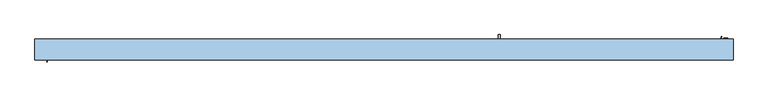
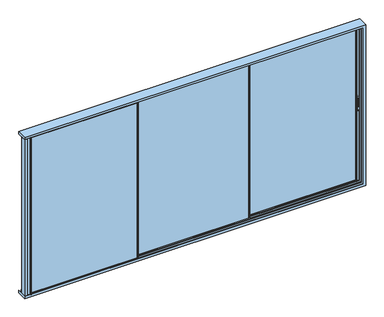
"""IFC4 building model written with IfcOpenShell, lengths in millimetres: window geometry."""

from ifc_helpers import new_model, si_unit, point, frame, frame_2d, origin, place, context, project, spatial, polyline, circle_curve, trimmed, segment, composite_curve, outline, extrude, faceted_brep, source, transform, mapped, element, save
from ifc_brep_helpers import plane_surface, cylinder_surface, revolved_surface, advanced_brep


def window_7761da9f(model_context):
    return source(origin(), model_context, "Body", "SolidModel", [
        extrude(outline(composite_curve([segment(polyline([(105.3, 2225.2189223), (99.5185218, 2225.2189223), (94.7370436, 2300.2189223)]), True, "CONTINUOUS"), segment(trimmed(circle_curve(frame_2d((94.7370436, 2289.6559659)), 10.5629564), [point((94.7370436, 2300.2189223))], [point((105.3, 2289.6559659))], False, "CARTESIAN"), True, "CONTINUOUS"), segment(polyline([(105.3, 2289.6559659), (105.3, 2225.2189223)]), True, "CONTINUOUS")], self_intersect=False)), frame((5088.439635, 0.0, 0.0), z_axis=(1.0, 0.0, 0.0), x_axis=(0.0, 1.0, 0.0)), (0.0, 0.0, 1.0), 14.8235768),
        advanced_brep(
        [(5113.8472469, 105.3, 2157.5), (5113.8472469, 105.3, 2382.5), (5113.8472469, 93.3, 2400.0), (5113.8472469, 93.3, 2140.0), (5077.8935563, 105.3, 2157.5), (5077.8935563, 93.3, 2140.0), (5077.8935563, 93.3, 2400.0), (5077.8935563, 105.3, 2382.5), (5087.0561714, 105.3, 2366.667345), (5087.0561714, 105.3, 2210.7687336), (5104.6466754, 105.3, 2210.7687336), (5104.6466754, 105.3, 2366.667345), (5104.6466754, 94.7370436, 2366.667345), (5104.6466754, 94.7370436, 2210.7687336), (5087.0561714, 94.7370436, 2210.7687336), (5087.0561714, 94.7370436, 2366.667345)],
        [
            (0, 1),
            (1, 2, circle_curve(frame((5113.8472469, 86.5395833, 2382.5), z_axis=(1.0, 0.0, 0.0), x_axis=(0.0, 0.0, -1.0)), 18.7604167)),
            (2, 3),
            (3, 0, circle_curve(frame((5113.8472469, 86.5395833, 2157.5), z_axis=(1.0, 0.0, 0.0), x_axis=(0.0, 0.0, -1.0)), 18.7604167)),
            (4, 5, circle_curve(frame((5077.8935563, 86.5395833, 2157.5), z_axis=(-1.0, 0.0, 0.0), x_axis=(0.0, 0.0, -1.0)), 18.7604167)),
            (5, 6),
            (6, 7, circle_curve(frame((5077.8935563, 86.5395833, 2382.5), z_axis=(-1.0, 0.0, 0.0), x_axis=(0.0, 0.0, -1.0)), 18.7604167)),
            (7, 4),
            (2, 6),
            (5, 3),
            (0, 4),
            (7, 1),
            (8, 9),
            (9, 10),
            (10, 11),
            (11, 8),
            (12, 13),
            (13, 14),
            (14, 15),
            (15, 12),
            (15, 8),
            (11, 12),
            (14, 9),
            (13, 10),
        ],
        [
            plane_surface(frame((5113.8472469, 86.5395833, 2138.7395833), z_axis=(1.0, 0.0, 0.0), x_axis=(0.0, -1.0, 0.0))),
            plane_surface(frame((5077.8935563, 86.5395833, 2138.7395833), z_axis=(-1.0, 0.0, 0.0), x_axis=(0.0, 1.0, 0.0))),
            plane_surface(frame((5113.8472469, 93.3, 2140.0), z_axis=(0.0, -1.0, 0.0), x_axis=(-1.0, 0.0, 0.0))),
            plane_surface(frame((5113.8472469, 105.3, 2382.5), z_axis=(0.0, 1.0, 0.0), x_axis=(-1.0, 0.0, 0.0))),
            plane_surface(frame((5087.0561714, 94.7370436, 2366.667345), z_axis=(0.0, 1.0, 0.0), x_axis=(1.0, 0.0, 0.0))),
            plane_surface(frame((5104.6466754, 105.3, 2366.667345), z_axis=(0.0, 0.0, -1.0), x_axis=(0.0, -1.0, 0.0))),
            plane_surface(frame((5087.0561714, 105.3, 2366.667345), z_axis=(1.0, 0.0, 0.0), x_axis=(0.0, -1.0, 0.0))),
            plane_surface(frame((5087.0561714, 105.3, 2210.7687336), z_axis=(0.0, 0.0, 1.0), x_axis=(0.0, -1.0, 0.0))),
            plane_surface(frame((5104.6466754, 105.3, 2210.7687336), z_axis=(-1.0, 0.0, 0.0), x_axis=(0.0, -1.0, 0.0))),
            cylinder_surface(frame((5077.8935563, 86.5395833, 2157.5), z_axis=(1.0, 0.0, 0.0), x_axis=(0.0, 0.0, -1.0)), 18.7604167),
            cylinder_surface(frame((5077.8935563, 86.5395833, 2382.5), z_axis=(1.0, 0.0, 0.0), x_axis=(0.0, 0.0, -1.0)), 18.7604167),
        ],
        [
            (0, [[1, 2, 3, 4]]),
            (1, [[5, 6, 7, 8]]),
            (2, [[9, -6, 10, -3]]),
            (3, [[11, -8, 12, -1], [13, 14, 15, 16]]),
            (4, [[17, 18, 19, 20]]),
            (5, [[21, -16, 22, -20]]),
            (6, [[23, -13, -21, -19]]),
            (7, [[24, -14, -23, -18]]),
            (8, [[-22, -15, -24, -17]]),
            (9, [[-10, -5, -11, -4]]),
            (10, [[-12, -7, -9, -2]]),
        ],
    ),
        extrude(outline(composite_curve([segment(polyline([(44.9, 2225.2189223), (44.9, 2289.6559659)]), True, "CONTINUOUS"), segment(trimmed(circle_curve(frame_2d((55.4629564, 2289.6559659)), 10.5629564), [point((44.9, 2289.6559659))], [point((55.4629564, 2300.2189223))], False, "CARTESIAN"), True, "CONTINUOUS"), segment(polyline([(55.4629564, 2300.2189223), (50.6814782, 2225.2189223), (44.9, 2225.2189223)]), True, "CONTINUOUS")], self_intersect=False)), frame((5088.4775914, 0.0, 0.0), z_axis=(1.0, 0.0, 0.0), x_axis=(0.0, 1.0, 0.0)), (0.0, 0.0, 1.0), 14.8235768),
        advanced_brep(
        [(5077.8935563, 44.9, 2157.5), (5077.8935563, 44.9, 2382.5), (5077.8935563, 56.9, 2400.0), (5077.8935563, 56.9, 2140.0), (5113.8472469, 44.9, 2157.5), (5113.8472469, 56.9, 2140.0), (5113.8472469, 56.9, 2400.0), (5113.8472469, 44.9, 2382.5), (5104.6846318, 44.9, 2366.667345), (5104.6846318, 44.9, 2210.7687336), (5087.0941278, 44.9, 2210.7687336), (5087.0941278, 44.9, 2366.667345), (5087.0941278, 55.4629564, 2366.667345), (5087.0941278, 55.4629564, 2210.7687336), (5104.6846318, 55.4629564, 2210.7687336), (5104.6846318, 55.4629564, 2366.667345)],
        [
            (0, 1),
            (1, 2, circle_curve(frame((5077.8935563, 63.6604167, 2382.5), z_axis=(-1.0, 0.0, 0.0), x_axis=(0.0, 0.0, -1.0)), 18.7604167)),
            (2, 3),
            (3, 0, circle_curve(frame((5077.8935563, 63.6604167, 2157.5), z_axis=(-1.0, 0.0, 0.0), x_axis=(0.0, 0.0, -1.0)), 18.7604167)),
            (4, 5, circle_curve(frame((5113.8472469, 63.6604167, 2157.5), z_axis=(1.0, 0.0, 0.0), x_axis=(0.0, 0.0, -1.0)), 18.7604167)),
            (5, 6),
            (6, 7, circle_curve(frame((5113.8472469, 63.6604167, 2382.5), z_axis=(1.0, 0.0, 0.0), x_axis=(0.0, 0.0, -1.0)), 18.7604167)),
            (7, 4),
            (2, 6),
            (5, 3),
            (0, 4),
            (7, 1),
            (8, 9),
            (9, 10),
            (10, 11),
            (11, 8),
            (12, 13),
            (13, 14),
            (14, 15),
            (15, 12),
            (15, 8),
            (11, 12),
            (14, 9),
            (13, 10),
        ],
        [
            plane_surface(frame((5077.8935563, 63.6604167, 2138.7395833), z_axis=(-1.0, 0.0, 0.0), x_axis=(0.0, 1.0, 0.0))),
            plane_surface(frame((5113.8472469, 63.6604167, 2138.7395833), z_axis=(1.0, 0.0, 0.0), x_axis=(0.0, -1.0, 0.0))),
            plane_surface(frame((5077.8935563, 56.9, 2140.0), z_axis=(0.0, 1.0, 0.0), x_axis=(1.0, 0.0, 0.0))),
            plane_surface(frame((5077.8935563, 44.9, 2382.5), z_axis=(0.0, -1.0, 0.0), x_axis=(1.0, 0.0, 0.0))),
            plane_surface(frame((5104.6846318, 55.4629564, 2366.667345), z_axis=(0.0, -1.0, 0.0), x_axis=(-1.0, 0.0, 0.0))),
            plane_surface(frame((5087.0941278, 44.9, 2366.667345), z_axis=(0.0, 0.0, -1.0), x_axis=(0.0, 1.0, 0.0))),
            plane_surface(frame((5104.6846318, 44.9, 2366.667345), z_axis=(-1.0, 0.0, 0.0), x_axis=(0.0, 1.0, 0.0))),
            plane_surface(frame((5104.6846318, 44.9, 2210.7687336), z_axis=(0.0, 0.0, 1.0), x_axis=(0.0, 1.0, 0.0))),
            plane_surface(frame((5087.0941278, 44.9, 2210.7687336), z_axis=(1.0, 0.0, 0.0), x_axis=(0.0, 1.0, 0.0))),
            cylinder_surface(frame((5113.8472469, 63.6604167, 2157.5), z_axis=(-1.0, 0.0, 0.0), x_axis=(0.0, 0.0, -1.0)), 18.7604167),
            cylinder_surface(frame((5113.8472469, 63.6604167, 2382.5), z_axis=(-1.0, 0.0, 0.0), x_axis=(0.0, 0.0, -1.0)), 18.7604167),
        ],
        [
            (0, [[1, 2, 3, 4]]),
            (1, [[5, 6, 7, 8]]),
            (2, [[9, -6, 10, -3]]),
            (3, [[11, -8, 12, -1], [13, 14, 15, 16]]),
            (4, [[17, 18, 19, 20]]),
            (5, [[21, -16, 22, -20]]),
            (6, [[23, -13, -21, -19]]),
            (7, [[24, -14, -23, -18]]),
            (8, [[-22, -15, -24, -17]]),
            (9, [[-10, -5, -11, -4]]),
            (10, [[-12, -7, -9, -2]]),
        ],
    ),
        faceted_brep([(5140.8, -35.7, 819.2), (-793.9, -35.7, 819.2), (-793.9, 100.0, 819.2), (-836.3, 100.0, 819.2), (-836.3, -78.1, 819.2), (5140.8, -78.1, 819.2), (5140.8, -35.7, 3780.8), (5140.8, -78.1, 3780.8), (-836.3, -78.1, 844.0), (5116.0, -78.1, 844.0), (5116.0, -78.1, 3756.0), (-836.3, -78.1, 3756.0), (-836.3, -78.1, 3780.8642152), (-836.3, 100.0, 844.0), (5160.0, 100.0, 3800.0), (5160.0, 100.0, 800.0), (-840.0, 100.0, 800.0), (-840.0, 100.0, 844.0), (-793.9, 100.0, 843.9582576), (-770.3, 100.0, 843.9582576), (-770.3, 100.0, 819.4778932), (-727.9, 100.0, 819.4778932), (-727.9, 100.0, 844.0), (-704.3, 100.0, 844.0), (-704.3, 100.0, 819.2), (-661.9, 100.0, 819.2), (-661.9, 100.0, 844.0), (5116.0, 100.0, 844.0), (5116.0, 100.0, 3756.0), (-661.9, 100.0, 3756.0), (-661.9, 100.0, 3780.8), (-704.3, 100.0, 3780.8), (-704.3, 100.0, 3756.0), (-727.9, 100.0, 3756.0), (-727.9, 100.0, 3780.5221068), (-770.3, 100.0, 3780.5221068), (-770.3, 100.0, 3756.0417424), (-793.9, 100.0, 3756.0417424), (-793.9, 100.0, 3780.8642152), (-836.3, 100.0, 3780.8642152), (-836.3, 100.0, 3756.0), (-840.0, 100.0, 3756.0), (-840.0, 100.0, 3800.0), (-793.9, -35.7, 843.9582576), (-793.9, -35.7, 3780.8642152), (-793.9, -35.7, 3756.0417424), (5116.0, -35.7, 3756.0), (5116.0, -35.7, 844.0), (5116.0, -81.8, 844.0), (5116.0, -81.8, 3756.0), (-840.0, -81.8, 844.0), (-840.0, -81.8, 800.0), (5160.0, -81.8, 800.0), (5160.0, -81.8, 3800.0), (-840.0, -81.8, 3800.0), (-840.0, -81.8, 3756.0), (5116.0, 96.3, 844.0), (5116.0, 96.3, 3756.0), (-661.9, 96.3, 844.0), (-661.9, 96.3, 819.2), (5140.8642152, 96.3, 819.1357848), (-704.3, 53.9, 819.1357848), (5140.8642152, 53.9, 819.1357848), (-704.3, 53.9, 844.0), (5116.0417424, 53.9, 843.9582576), (-727.9, 30.3, 843.9582576), (5116.0417424, 30.3, 843.9582576), (-727.9, 30.3, 819.4778932), (5140.5221068, 30.3, 819.4778932), (-770.3, -12.1, 819.4778932), (5140.5221068, -12.1, 819.4778932), (-770.3, -12.1, 843.9582576), (5116.0, -12.1, 844.0), (5140.8642152, 96.3, 3780.8642152), (-661.9, 96.3, 3780.8), (-661.9, 96.3, 3756.0), (5140.8642152, 53.9, 3780.8642152), (5140.5221068, -12.1, 3780.5221068), (5140.5221068, 30.3, 3780.5221068), (5116.0, -12.1, 3756.0), (-770.3, -12.1, 3756.0417424), (-770.3, -12.1, 3780.5221068), (-727.9, 30.3, 3780.5221068), (-727.9, 30.3, 3756.0), (5116.0417424, 30.3, 3756.0417424), (5116.0417424, 53.9, 3756.0417424), (-704.3, 53.9, 3756.0), (-704.3, 53.9, 3780.8)], [[[0, 1, 2, 3, 4, 5]], [[6, 0, 5, 7]], [[7, 5, 4, 8, 9, 10, 11, 12]], [[13, 8, 4, 3]], [[14, 15, 16, 17, 13, 3, 2, 18, 19, 20, 21, 22, 23, 24, 25, 26, 27, 28, 29, 30, 31, 32, 33, 34, 35, 36, 37, 38, 39, 40, 41, 42]], [[2, 1, 43, 18]], [[44, 45, 46, 47, 43, 1, 0, 6]], [[10, 9, 48, 49]], [[9, 8, 13, 17, 50, 48]], [[49, 48, 50, 51, 52, 53, 54, 55]], [[16, 51, 50, 17]], [[53, 52, 15, 14]], [[52, 51, 16, 15]], [[27, 56, 57, 28]], [[27, 26, 58, 56]], [[25, 59, 58, 26]], [[60, 59, 25, 24, 61, 62]], [[23, 63, 61, 24]], [[64, 63, 23, 22, 65, 66]], [[21, 67, 65, 22]], [[68, 67, 21, 20, 69, 70]], [[19, 71, 69, 20]], [[72, 71, 19, 18, 43, 47]], [[56, 58, 59, 60, 73, 74, 75, 57]], [[60, 62, 76, 73]], [[70, 77, 78, 68]], [[70, 69, 71, 72, 79, 80, 81, 77]], [[82, 83, 84, 66, 65, 67, 68, 78]], [[72, 47, 46, 79]], [[76, 62, 61, 63, 64, 85, 86, 87]], [[85, 64, 66, 84]], [[7, 12, 39, 38, 44, 6]], [[37, 45, 44, 38]], [[39, 12, 11, 40]], [[49, 55, 41, 40, 11, 10]], [[41, 55, 54, 42]], [[14, 42, 54, 53]], [[79, 46, 45, 37, 36, 80]], [[35, 81, 80, 36]], [[81, 35, 34, 82, 78, 77]], [[33, 83, 82, 34]], [[84, 83, 33, 32, 86, 85]], [[31, 87, 86, 32]], [[73, 76, 87, 31, 30, 74]], [[29, 75, 74, 30]], [[28, 57, 75, 29]]]),
        extrude(outline(polyline([(3148.0, 90.1), (5068.9810829, 90.1), (5068.9810829, 60.1), (3148.0, 60.1), (3148.0, 90.1)])), frame((0.0, 0.0, 844.0), z_axis=(0.0, 0.0, 1.0), x_axis=(1.0, 0.0, 0.0)), (0.0, 0.0, 1.0), 2908.9999325),
        advanced_brep(
        [(3140.0, 56.9, 832.5), (3140.0, 56.9, 844.0), (3140.0, 30.1987557, 844.0), (3140.0, 30.1987557, 3752.9999325), (3140.0, 56.9, 3752.9999325), (3140.0, 56.9, 3767.5), (3140.0, 93.3, 3767.5), (3140.0, 93.3, 3752.9999325), (3140.0, 135.3, 3752.9999325), (3140.0, 135.3, 844.0), (3140.0, 93.3, 844.0), (3140.0, 93.3, 832.5), (5140.0, 93.3, 832.5), (5140.0, 56.9, 832.5), (3160.0, 93.3, 844.0), (3160.0, 93.3, 859.0), (5055.0, 93.3, 859.0), (5055.0, 93.3, 3741.0), (3160.0, 93.3, 3741.0), (3160.0, 93.3, 3752.9999325), (5140.0, 93.3, 3767.5), (5140.0, 93.3, 3741.0), (5128.2810829, 93.3, 3741.0), (5128.2810829, 93.3, 859.0), (5140.0, 93.3, 859.0), (5056.9810829, 93.3, 3752.9999325), (5056.9810829, 93.3, 847.0000675), (5062.3626434, 93.3, 847.0000675), (5062.3626434, 93.3, 3752.9999325), (3150.0, 56.9, 844.0), (3150.0, 30.1987557, 844.0), (3160.0, 135.3, 844.0), (3160.0, 135.3, 3752.9999325), (3150.0, 30.1987557, 3752.9999325), (5140.0, 56.9, 859.0), (5128.2810829, 56.9, 859.0), (5128.2810829, 56.9, 3741.0), (5140.0, 56.9, 3741.0), (5140.0, 56.9, 3767.5), (3150.0, 56.9, 3752.9999325), (5055.0, 56.9, 859.0), (3160.0, 56.9, 859.0), (3160.0, 56.9, 3741.0), (5055.0, 56.9, 3741.0), (5062.3626434, 56.9, 3752.9999325), (5062.3626434, 56.9, 847.0000675), (5056.9810829, 56.9, 847.0000675), (5056.9810829, 56.9, 3752.9999325), (5140.0, 60.1, 859.0), (5140.0, 90.1, 859.0), (5140.0, 90.1, 847.0000675), (5140.0, 60.1, 847.0000675), (5128.2810829, 60.1, 847.0000675), (5128.2810829, 60.1, 859.0), (3148.0, 60.1, 847.0000675), (3148.0, 60.1, 3752.9999325), (5068.9810829, 60.1, 3752.9999325), (5068.9810829, 60.1, 847.0000675), (5055.0, 60.1, 859.0), (5055.0, 60.1, 3741.0), (3160.0, 60.1, 3741.0), (3160.0, 60.1, 859.0), (5140.0, 60.1, 3741.0), (5128.2810829, 60.1, 3741.0), (5128.2810829, 60.1, 3752.9999325), (5140.0, 60.1, 3752.9999325), (5068.9810829, 90.1, 847.0000675), (3148.0, 90.1, 847.0000675), (5128.2810829, 90.1, 847.0000675), (5128.2810829, 90.1, 859.0), (5068.9810829, 90.1, 3752.9999325), (3148.0, 90.1, 3752.9999325), (3160.0, 90.1, 859.0), (3160.0, 90.1, 3741.0), (5055.0, 90.1, 3741.0), (5055.0, 90.1, 859.0), (5140.0, 90.1, 3752.9999325), (5128.2810829, 90.1, 3752.9999325), (5128.2810829, 90.1, 3741.0), (5140.0, 90.1, 3741.0), (5055.1121686, 50.3823214, 847.0000675), (5055.1121686, 50.3823214, 3752.9999325), (5055.1121686, 99.8176786, 847.0000675), (5055.1121686, 102.374499, 847.0000675), (5059.7647392, 117.5923717, 847.0000675), (5060.721044, 118.3, 847.0000675), (5063.4810829, 118.3, 847.0000675), (5063.9558651, 117.6432139, 847.0000675), (5058.2207139, 102.2330365, 847.0000675), (5058.1075139, 100.2555341, 847.0000675), (5059.4788583, 95.4730879, 847.0000675), (5059.4788583, 54.7269121, 847.0000675), (5058.1075139, 49.9444659, 847.0000675), (5058.2207139, 47.9669635, 847.0000675), (5063.9558651, 32.5567861, 847.0000675), (5063.4810829, 31.9, 847.0000675), (5060.721044, 31.9, 847.0000675), (5059.7647392, 32.6076283, 847.0000675), (5055.1121686, 47.825501, 847.0000675), (5059.4788583, 54.7269121, 3752.9999325), (5059.4788583, 95.4730879, 3752.9999325), (5055.1121686, 99.8176786, 3752.9999325), (5058.1075139, 100.2555341, 3752.9999325), (5058.2207139, 102.2330365, 3752.9999325), (5063.9558651, 117.6432139, 3752.9999325), (5063.4810829, 118.3, 3752.9999325), (5060.721044, 118.3, 3752.9999325), (5059.7647392, 117.5923717, 3752.9999325), (5055.1121686, 102.374499, 3752.9999325), (5055.1121686, 47.825501, 3752.9999325), (5059.7647392, 32.6076283, 3752.9999325), (5060.721044, 31.9, 3752.9999325), (5063.4810829, 31.9, 3752.9999325), (5063.9558651, 32.5567861, 3752.9999325), (5058.2207139, 47.9669635, 3752.9999325), (5058.1075139, 49.9444659, 3752.9999325)],
        [
            (0, 1),
            (1, 2),
            (2, 3),
            (3, 4),
            (4, 5),
            (5, 6),
            (6, 7),
            (7, 8),
            (8, 9),
            (9, 10),
            (10, 11),
            (11, 0),
            (11, 12),
            (12, 13),
            (13, 0),
            (10, 14),
            (14, 15),
            (15, 16),
            (16, 17),
            (17, 18),
            (18, 19),
            (19, 7),
            (6, 20),
            (20, 21),
            (21, 22),
            (22, 23),
            (23, 24),
            (24, 12),
            (25, 26),
            (26, 27),
            (27, 28),
            (28, 25),
            (1, 29),
            (29, 30),
            (30, 2),
            (31, 14),
            (9, 31),
            (32, 31),
            (8, 32),
            (30, 33),
            (33, 3),
            (34, 35),
            (35, 36),
            (36, 37),
            (37, 38),
            (38, 5),
            (4, 39),
            (39, 29),
            (13, 34),
            (40, 41),
            (41, 42),
            (42, 43),
            (43, 40),
            (44, 45),
            (45, 46),
            (46, 47),
            (47, 44),
            (48, 34),
            (24, 49),
            (49, 50),
            (50, 51),
            (51, 48),
            (51, 52),
            (52, 53),
            (53, 48),
            (54, 55),
            (55, 56),
            (56, 57),
            (57, 54),
            (58, 59),
            (59, 60),
            (60, 61),
            (61, 58),
            (62, 63),
            (63, 64),
            (64, 65),
            (65, 62),
            (57, 66),
            (66, 67),
            (67, 54),
            (50, 68),
            (68, 52),
            (49, 69),
            (69, 68),
            (66, 70),
            (70, 71),
            (71, 67),
            (72, 73),
            (73, 74),
            (74, 75),
            (75, 72),
            (76, 77),
            (77, 78),
            (78, 79),
            (79, 76),
            (23, 69),
            (75, 16),
            (15, 72),
            (40, 58),
            (61, 41),
            (53, 35),
            (22, 78),
            (77, 64),
            (63, 36),
            (60, 42),
            (43, 59),
            (39, 33),
            (46, 80),
            (80, 81),
            (81, 47),
            (26, 82),
            (82, 83, circle_curve(frame((5059.5705149, 101.0960888, 847.0000675), z_axis=(0.0, 0.0, -1.0), x_axis=(0.0, 1.0, 0.0)), 4.638015)),
            (83, 84),
            (84, 85, circle_curve(frame((5060.721044, 117.3, 847.0000675), z_axis=(0.0, 0.0, -1.0), x_axis=(0.0, 1.0, 0.0)), 1.0)),
            (85, 86),
            (86, 87, circle_curve(frame((5063.4810829, 117.8, 847.0000675), z_axis=(0.0, 0.0, -1.0), x_axis=(0.0, 1.0, 0.0)), 0.5)),
            (87, 88, circle_curve(frame((4854.7879244, 186.7162025, 847.0000675), z_axis=(0.0, 0.0, -1.0), x_axis=(0.0, 1.0, 0.0)), 220.2777909)),
            (88, 89, circle_curve(frame((5060.991299, 101.0824462, 847.0000675), z_axis=(0.0, 0.0, 1.0), x_axis=(0.0, 1.0, 0.0)), 3.0)),
            (89, 90),
            (90, 27, circle_curve(frame((5062.3626434, 96.3, 847.0000675), z_axis=(0.0, 0.0, 1.0), x_axis=(0.0, 1.0, 0.0)), 3.0)),
            (45, 91, circle_curve(frame((5062.3626434, 53.9, 847.0000675), z_axis=(0.0, 0.0, 1.0), x_axis=(0.0, 1.0, 0.0)), 3.0)),
            (91, 92),
            (92, 93, circle_curve(frame((5060.991299, 49.1175538, 847.0000675), z_axis=(0.0, 0.0, 1.0), x_axis=(0.0, 1.0, 0.0)), 3.0)),
            (93, 94, circle_curve(frame((4854.7879244, -36.5162025, 847.0000675), z_axis=(0.0, 0.0, -1.0), x_axis=(0.0, 1.0, 0.0)), 220.2777909)),
            (94, 95, circle_curve(frame((5063.4810829, 32.4, 847.0000675), z_axis=(0.0, 0.0, -1.0), x_axis=(0.0, 1.0, 0.0)), 0.5)),
            (95, 96),
            (96, 97, circle_curve(frame((5060.721044, 32.9, 847.0000675), z_axis=(0.0, 0.0, -1.0), x_axis=(0.0, 1.0, 0.0)), 1.0)),
            (97, 98),
            (98, 80, circle_curve(frame((5059.5705149, 49.1039112, 847.0000675), z_axis=(0.0, 0.0, -1.0), x_axis=(0.0, 1.0, 0.0)), 4.638015)),
            (99, 91),
            (44, 99, circle_curve(frame((5062.3626434, 53.9, 3752.9999325), z_axis=(0.0, 0.0, 1.0), x_axis=(0.0, 1.0, 0.0)), 3.0)),
            (74, 17),
            (32, 19),
            (18, 73),
            (90, 100),
            (100, 28, circle_curve(frame((5062.3626434, 96.3, 3752.9999325), z_axis=(0.0, 0.0, 1.0), x_axis=(0.0, 1.0, 0.0)), 3.0)),
            (101, 82),
            (25, 101),
            (71, 55),
            (56, 70),
            (89, 102),
            (102, 100),
            (88, 103),
            (103, 102, circle_curve(frame((5060.991299, 101.0824462, 3752.9999325), z_axis=(0.0, 0.0, 1.0), x_axis=(0.0, 1.0, 0.0)), 3.0)),
            (87, 104),
            (104, 103, circle_curve(frame((4854.7879244, 186.7162025, 3752.9999325), z_axis=(0.0, 0.0, -1.0), x_axis=(0.0, 1.0, 0.0)), 220.2777909)),
            (86, 105),
            (105, 104, circle_curve(frame((5063.4810829, 117.8, 3752.9999325), z_axis=(0.0, 0.0, -1.0), x_axis=(0.0, 1.0, 0.0)), 0.5)),
            (85, 106),
            (106, 105),
            (84, 107),
            (107, 106, circle_curve(frame((5060.721044, 117.3, 3752.9999325), z_axis=(0.0, 0.0, -1.0), x_axis=(0.0, 1.0, 0.0)), 1.0)),
            (83, 108),
            (108, 107),
            (101, 108, circle_curve(frame((5059.5705149, 101.0960888, 3752.9999325), z_axis=(0.0, 0.0, -1.0), x_axis=(0.0, 1.0, 0.0)), 4.638015)),
            (98, 109),
            (109, 81, circle_curve(frame((5059.5705149, 49.1039112, 3752.9999325), z_axis=(0.0, 0.0, -1.0), x_axis=(0.0, 1.0, 0.0)), 4.638015)),
            (97, 110),
            (110, 109),
            (96, 111),
            (111, 110, circle_curve(frame((5060.721044, 32.9, 3752.9999325), z_axis=(0.0, 0.0, -1.0), x_axis=(0.0, 1.0, 0.0)), 1.0)),
            (95, 112),
            (112, 111),
            (94, 113),
            (113, 112, circle_curve(frame((5063.4810829, 32.4, 3752.9999325), z_axis=(0.0, 0.0, -1.0), x_axis=(0.0, 1.0, 0.0)), 0.5)),
            (93, 114),
            (114, 113, circle_curve(frame((4854.7879244, -36.5162025, 3752.9999325), z_axis=(0.0, 0.0, -1.0), x_axis=(0.0, 1.0, 0.0)), 220.2777909)),
            (92, 115),
            (115, 114, circle_curve(frame((5060.991299, 49.1175538, 3752.9999325), z_axis=(0.0, 0.0, 1.0), x_axis=(0.0, 1.0, 0.0)), 3.0)),
            (99, 115),
            (38, 20),
            (65, 76),
            (79, 21),
            (37, 62),
        ],
        [
            plane_surface(frame((3140.0, 56.9, 859.0), z_axis=(-1.0, 0.0, 0.0), x_axis=(0.0, -1.0, 0.0))),
            plane_surface(frame((3140.0, 56.9, 832.5), z_axis=(0.0, 0.0, -1.0), x_axis=(1.0, 0.0, 0.0))),
            plane_surface(frame((3140.0, 93.3, 832.5), z_axis=(0.0, 1.0, 0.0), x_axis=(1.0, 0.0, 0.0))),
            plane_surface(frame((3140.0, 135.3, 844.0), z_axis=(0.0, 0.0, -1.0), x_axis=(0.0, -1.0, 0.0))),
            plane_surface(frame((3140.0, 135.3, 3752.9999325), z_axis=(0.0, 1.0, 0.0), x_axis=(0.0, 0.0, -1.0))),
            plane_surface(frame((3150.0, 30.1987557, 3752.9999325), z_axis=(0.0, -1.0, 0.0), x_axis=(0.0, 0.0, -1.0))),
            plane_surface(frame((3140.0, 56.9, 859.0), z_axis=(0.0, -1.0, 0.0), x_axis=(1.0, 0.0, 0.0))),
            plane_surface(frame((5140.0, 56.9, 859.0), z_axis=(1.0, 0.0, 0.0), x_axis=(0.0, 1.0, 0.0))),
            plane_surface(frame((3140.0, 60.1, 847.0000675), z_axis=(0.0, 1.0, 0.0), x_axis=(1.0, 0.0, 0.0))),
            plane_surface(frame((3140.0, 90.1, 847.0000675), z_axis=(0.0, 0.0, 1.0), x_axis=(1.0, 0.0, 0.0))),
            plane_surface(frame((3140.0, 90.1, 859.0), z_axis=(0.0, -1.0, 0.0), x_axis=(1.0, 0.0, 0.0))),
            plane_surface(frame((3140.0, 93.3, 859.0), z_axis=(0.0, 0.0, 1.0), x_axis=(1.0, 0.0, 0.0))),
            plane_surface(frame((3140.0, 60.1, 859.0), z_axis=(0.0, 0.0, 1.0), x_axis=(1.0, 0.0, 0.0))),
            plane_surface(frame((5128.2810829, 93.3, 3752.9999325), z_axis=(1.0, 0.0, 0.0), x_axis=(0.0, 0.0, -1.0))),
            plane_surface(frame((3160.0, 60.1, 3752.9999325), z_axis=(1.0, 0.0, 0.0), x_axis=(0.0, 0.0, -1.0))),
            plane_surface(frame((5055.0, 56.9, 3752.9999325), z_axis=(-1.0, 0.0, 0.0), x_axis=(0.0, 0.0, -1.0))),
            plane_surface(frame((3150.0, 56.9, 3752.9999325), z_axis=(1.0, 0.0, 0.0), x_axis=(0.0, 0.0, -1.0))),
            plane_surface(frame((5055.1121686, 50.3823214, 3752.9999325), z_axis=(-0.9612616959382104, 0.27563735581737736, 0.0), x_axis=(0.0, 0.0, -1.0))),
            plane_surface(frame((5055.0, -100.0, 847.0000675), z_axis=(0.0, 0.0, -1.0), x_axis=(0.0, 1.0, 0.0))),
            revolved_surface(polyline([(5062.3626434, 56.9, 847.0000675000001), (5062.3626434, 56.9, 3752.9999325)]), (5062.3626434, 53.9, 3752.9999325), (0.0, 0.0, -1.0)),
            plane_surface(frame((5055.0, 90.1, 3752.9999325), z_axis=(-1.0, 0.0, 0.0), x_axis=(0.0, 0.0, -1.0))),
            plane_surface(frame((3160.0, 135.3, 3752.9999325), z_axis=(1.0, 0.0, 0.0), x_axis=(0.0, 0.0, -1.0))),
            revolved_surface(polyline([(5062.3626434, 99.3, 847.0000675000001), (5062.3626434, 99.3, 3752.9999325)]), (5062.3626434, 96.3, 3752.9999325), (0.0, 0.0, -1.0)),
            plane_surface(frame((5056.9810829, 93.3, 3752.9999325), z_axis=(-0.9612616959387161, -0.27563735581561394, 0.0), x_axis=(0.0, 0.0, -1.0))),
            plane_surface(frame((3148.0, 90.1, 3752.9999325), z_axis=(1.0, 0.0, 0.0), x_axis=(0.0, 0.0, -1.0))),
            plane_surface(frame((5068.9810829, 60.1, 3752.9999325), z_axis=(-1.0, 0.0, 0.0), x_axis=(0.0, 0.0, -1.0))),
            plane_surface(frame((5058.1075139, 100.2555341, 3752.9999325), z_axis=(0.9612616959453796, 0.2756373557923754, 0.0), x_axis=(0.0, 0.0, -1.0))),
            revolved_surface(polyline([(5060.991299, 104.0824462, 847.0000675000001), (5060.991299, 104.0824462, 3752.9999325)]), (5060.991299, 101.0824462, 3752.9999325), (0.0, 0.0, -1.0)),
            cylinder_surface(frame((4854.7879244, 186.7162025, 3752.9999325), z_axis=(0.0, 0.0, 1.0), x_axis=(0.0, 1.0, 0.0)), 220.2777909),
            cylinder_surface(frame((5063.4810829, 117.8, 3752.9999325), z_axis=(0.0, 0.0, 1.0), x_axis=(0.0, 1.0, 0.0)), 0.5),
            plane_surface(frame((5060.721044, 118.3, 3752.9999325), z_axis=(0.0, 1.0, 0.0), x_axis=(0.0, 0.0, -1.0))),
            cylinder_surface(frame((5060.721044, 117.3, 3752.9999325), z_axis=(0.0, 0.0, 1.0), x_axis=(0.0, 1.0, 0.0)), 1.0),
            plane_surface(frame((5055.1121686, 102.374499, 3752.9999325), z_axis=(-0.9563047559631129, 0.29237170472248364, 0.0), x_axis=(0.0, 0.0, -1.0))),
            cylinder_surface(frame((5059.5705149, 101.0960888, 3752.9999325), z_axis=(0.0, 0.0, 1.0), x_axis=(0.0, 1.0, 0.0)), 4.638015),
            cylinder_surface(frame((5059.5705149, 49.1039112, 3752.9999325), z_axis=(0.0, 0.0, 1.0), x_axis=(0.0, 1.0, 0.0)), 4.638015),
            plane_surface(frame((5059.7647392, 32.6076283, 3752.9999325), z_axis=(-0.9563047559631056, -0.2923717047225074, 0.0), x_axis=(0.0, 0.0, -1.0))),
            cylinder_surface(frame((5060.721044, 32.9, 3752.9999325), z_axis=(0.0, 0.0, 1.0), x_axis=(0.0, 1.0, 0.0)), 1.0),
            plane_surface(frame((5063.4810829, 31.9, 3752.9999325), z_axis=(0.0, -1.0, 0.0), x_axis=(0.0, 0.0, -1.0))),
            cylinder_surface(frame((5063.4810829, 32.4, 3752.9999325), z_axis=(0.0, 0.0, 1.0), x_axis=(0.0, 1.0, 0.0)), 0.5),
            cylinder_surface(frame((4854.7879244, -36.5162025, 3752.9999325), z_axis=(0.0, 0.0, 1.0), x_axis=(0.0, 1.0, 0.0)), 220.2777909),
            revolved_surface(polyline([(5060.991299, 52.1175538, 847.0000675000001), (5060.991299, 52.1175538, 3752.9999325)]), (5060.991299, 49.1175538, 3752.9999325), (0.0, 0.0, -1.0)),
            plane_surface(frame((5059.4788583, 54.7269121, 3752.9999325), z_axis=(0.9612616959384971, -0.2756373558163778, 0.0), x_axis=(0.0, 0.0, -1.0))),
            plane_surface(frame((3140.0, 135.3, 3752.9999325), z_axis=(0.0, 0.0, 1.0), x_axis=(0.0, 1.0, 0.0))),
            plane_surface(frame((3140.0, 93.3, 3767.5), z_axis=(0.0, 0.0, 1.0), x_axis=(1.0, 0.0, 0.0))),
            plane_surface(frame((5140.0, 60.1, 3741.0), z_axis=(1.0, 0.0, 0.0), x_axis=(0.0, 0.0, -1.0))),
            plane_surface(frame((3140.0, 56.9, 3741.0), z_axis=(0.0, 0.0, -1.0), x_axis=(1.0, 0.0, 0.0))),
            plane_surface(frame((5055.0, -100.0, 3752.9999325), z_axis=(0.0, 0.0, 1.0), x_axis=(0.0, 1.0, 0.0))),
            plane_surface(frame((3140.0, 90.1, 3741.0), z_axis=(0.0, 0.0, -1.0), x_axis=(1.0, 0.0, 0.0))),
            plane_surface(frame((3140.0, 60.1, 3752.9999325), z_axis=(0.0, 0.0, -1.0), x_axis=(1.0, 0.0, 0.0))),
        ],
        [
            (0, [[1, 2, 3, 4, 5, 6, 7, 8, 9, 10, 11, 12]]),
            (1, [[13, 14, 15, -12]]),
            (2, [[-13, -11, 16, 17, 18, 19, 20, 21, 22, -7, 23, 24, 25, 26, 27, 28], [29, 30, 31, 32]]),
            (3, [[-2, 33, 34, 35]]),
            (3, [[36, -16, -10, 37]]),
            (4, [[38, -37, -9, 39]]),
            (5, [[-3, -35, 40, 41]]),
            (6, [[42, 43, 44, 45, 46, -5, 47, 48, -33, -1, -15, 49], [50, 51, 52, 53], [54, 55, 56, 57]]),
            (7, [[58, -49, -14, -28, 59, 60, 61, 62]]),
            (8, [[63, 64, 65, -62]]),
            (8, [[66, 67, 68, 69], [70, 71, 72, 73]]),
            (8, [[74, 75, 76, 77]]),
            (9, [[-69, 78, 79, 80]]),
            (9, [[81, 82, -63, -61]]),
            (10, [[83, 84, -81, -60]]),
            (10, [[85, 86, 87, -79], [88, 89, 90, 91]]),
            (10, [[92, 93, 94, 95]]),
            (11, [[-27, 96, -83, -59]]),
            (11, [[-91, 97, -18, 98]]),
            (12, [[-50, 99, -73, 100]]),
            (12, [[-65, 101, -42, -58]]),
            (13, [[-64, -82, -84, -96, -26, 102, -93, 103, -75, 104, -43, -101]]),
            (14, [[-72, 105, -51, -100]]),
            (15, [[-53, 106, -70, -99]]),
            (16, [[-40, -34, -48, 107]]),
            (17, [[108, 109, 110, -56]]),
            (18, [[-30, 111, 112, 113, 114, 115, 116, 117, 118, 119, 120]]),
            (18, [[-55, 121, 122, 123, 124, 125, 126, 127, 128, 129, -108]]),
            (19, [[130, -121, -54, 131]]),
            (20, [[-90, 132, -19, -97]]),
            (21, [[133, -21, 134, -88, -98, -17, -36, -38]]),
            (22, [[-120, 135, 136, -31]]),
            (23, [[137, -111, -29, 138]]),
            (24, [[139, -66, -80, -87]]),
            (25, [[140, -85, -78, -68]]),
            (26, [[-135, -119, 141, 142]]),
            (27, [[-141, -118, 143, 144]]),
            (28, [[-143, -117, 145, 146]]),
            (29, [[-145, -116, 147, 148]]),
            (30, [[-147, -115, 149, 150]]),
            (31, [[-149, -114, 151, 152]]),
            (32, [[-151, -113, 153, 154]]),
            (33, [[-153, -112, -137, 155]]),
            (34, [[-109, -129, 156, 157]]),
            (35, [[-156, -128, 158, 159]]),
            (36, [[-158, -127, 160, 161]]),
            (37, [[-160, -126, 162, 163]]),
            (38, [[-162, -125, 164, 165]]),
            (39, [[-164, -124, 166, 167]]),
            (40, [[-166, -123, 168, 169]]),
            (41, [[-168, -122, -130, 170]]),
            (42, [[-8, -22, -133, -39]]),
            (42, [[-47, -4, -41, -107]]),
            (43, [[-46, 171, -23, -6]]),
            (44, [[-77, 172, -95, 173, -24, -171, -45, 174]]),
            (45, [[-44, -104, -74, -174]]),
            (45, [[-106, -52, -105, -71]]),
            (46, [[-32, -136, -142, -144, -146, -148, -150, -152, -154, -155, -138]]),
            (46, [[-57, -110, -157, -159, -161, -163, -165, -167, -169, -170, -131]]),
            (47, [[-94, -102, -25, -173]]),
            (47, [[-134, -20, -132, -89]]),
            (48, [[-139, -86, -140, -67]]),
            (48, [[-76, -103, -92, -172]]),
        ],
    ),
        extrude(outline(polyline([(1148.0, 24.1), (3152.0, 24.1), (3152.0, -5.9), (1148.0, -5.9), (1148.0, 24.1)])), frame((0.0, 0.0, 847.0000675), z_axis=(0.0, 0.0, 1.0), x_axis=(1.0, 0.0, 0.0)), (0.0, 0.0, 1.0), 2905.9998651),
        faceted_brep([(1140.0, -9.1, 832.5), (1140.0, -9.1, 844.0), (1140.0, -35.7, 844.0), (1140.0, -35.7, 3756.0), (1140.0, -9.1, 3756.0), (1140.0, -9.1, 3765.0), (1140.0, 27.3, 3765.0), (1140.0, 27.3, 3756.0), (1140.0, 69.2930091, 3756.0), (1140.0, 69.2930091, 844.0), (1140.0, 27.3, 844.0), (1140.0, 27.3, 832.5), (3160.0, 27.3, 832.5), (3160.0, -9.1, 832.5), (1160.0, 27.3, 844.0), (1160.0, 27.3, 859.0), (3140.0, 27.3, 859.0), (3140.0, 27.3, 3741.0), (1160.0, 27.3, 3741.0), (1160.0, 27.3, 3756.0), (3160.0, 27.3, 3765.0), (3160.0, 27.3, 3752.9999325), (3150.0, 27.3, 3752.9999325), (3150.0, 27.3, 847.0000675), (3160.0, 27.3, 847.0000675), (1150.0, -35.7, 844.0), (1150.0, -9.1, 844.0), (1160.0, 69.2930091, 844.0), (1160.0, 69.2930091, 3756.0), (1150.0, -35.7, 3756.0), (3160.0, -9.1, 3765.0), (1150.0, -9.1, 3756.0), (3140.0, -9.1, 3741.0), (3140.0, -9.1, 859.0), (1160.0, -9.1, 859.0), (1160.0, -9.1, 3741.0), (3160.0, 53.9, 847.0000675), (3160.0, 53.9, 3752.9999325), (3150.0, 53.9, 847.0000675), (3150.0, 53.9, 3752.9999325), (3140.0, -5.9, 859.0), (1160.0, -5.9, 859.0), (3140.0, -5.9, 3741.0), (1160.0, -5.9, 3741.0), (3152.0, -5.9, 847.0000675), (1148.0, -5.9, 847.0000675), (1148.0, -5.9, 3752.9999325), (3152.0, -5.9, 3752.9999325), (3140.0, 24.1, 859.0), (3140.0, 24.1, 3741.0), (1160.0, 24.1, 859.0), (1160.0, 24.1, 3741.0), (3152.0, 24.1, 3752.9999325), (1148.0, 24.1, 3752.9999325), (1148.0, 24.1, 847.0000675), (3152.0, 24.1, 847.0000675)], [[[0, 1, 2, 3, 4, 5, 6, 7, 8, 9, 10, 11]], [[11, 12, 13, 0]], [[11, 10, 14, 15, 16, 17, 18, 19, 7, 6, 20, 21, 22, 23, 24, 12]], [[25, 2, 1, 26]], [[27, 14, 10, 9]], [[28, 27, 9, 8]], [[3, 2, 25, 29]], [[13, 30, 5, 4, 31, 26, 1, 0], [32, 33, 34, 35]], [[12, 24, 36, 37, 21, 20, 30, 13]], [[37, 36, 38, 39]], [[36, 24, 23, 38]], [[40, 41, 34, 33]], [[33, 32, 42, 40]], [[43, 35, 34, 41]], [[44, 45, 46, 47], [42, 43, 41, 40]], [[29, 25, 26, 31]], [[39, 38, 23, 22]], [[48, 49, 17, 16]], [[16, 15, 50, 48]], [[28, 19, 18, 51, 50, 15, 14, 27]], [[52, 53, 54, 55], [48, 50, 51, 49]], [[44, 47, 52, 55]], [[54, 45, 44, 55]], [[45, 54, 53, 46]], [[8, 7, 19, 28]], [[29, 31, 4, 3]], [[5, 30, 20, 6]], [[22, 21, 37, 39]], [[32, 35, 43, 42]], [[49, 51, 18, 17]], [[46, 53, 52, 47]]]),
        extrude(outline(polyline([(-743.9, -41.9), (1152.0, -41.9), (1152.0, -71.9), (-743.9, -71.9), (-743.9, -41.9)])), frame((0.0, 0.0, 847.0000675), z_axis=(0.0, 0.0, 1.0), x_axis=(1.0, 0.0, 0.0)), (0.0, 0.0, 1.0), 2905.9998651),
        advanced_brep(
        [(-803.2, -75.1, 832.5), (-803.2, -75.1, 844.0), (-803.2, -38.7, 844.0), (-803.2, -38.7, 832.5), (1160.0, -38.7, 832.5), (1160.0, -75.1, 832.5), (-790.2, -38.7, 844.0), (-790.2, -38.7, 3756.0), (-803.2, -38.7, 3756.0), (-803.2, -38.7, 3765.0), (1160.0, -38.7, 3765.0), (1160.0, -38.7, 3756.0), (1150.0, -38.7, 3756.0), (1150.0, -38.7, 844.0), (1160.0, -38.7, 844.0), (-729.9, -38.7, 3741.0), (-729.9, -38.7, 859.0), (1140.0, -38.7, 859.0), (1140.0, -38.7, 3741.0), (-731.9, -38.7, 844.0), (-731.9, -38.7, 3756.0), (-737.2815605, -38.7, 3756.0), (-737.2815605, -38.7, 844.0), (-734.3977754, -36.5269121, 844.0), (-733.026431, -31.7444659, 844.0), (-733.139631, -29.7669635, 844.0), (-738.8747822, -14.3567861, 844.0), (-738.4, -13.7, 844.0), (-735.6399611, -13.7, 844.0), (-734.6836563, -14.4076283, 844.0), (-730.0310857, -29.625501, 844.0), (-730.0310857, -32.1823214, 844.0), (-737.2815605, -75.1, 844.0), (-731.9, -75.1, 844.0), (-730.0310857, -81.6176786, 844.0), (-730.0310857, -84.174499, 844.0), (-734.6836563, -99.3923717, 844.0), (-735.6399611, -100.1, 844.0), (-738.4, -100.1, 844.0), (-738.8747822, -99.4432139, 844.0), (-733.139631, -84.0330365, 844.0), (-733.026431, -82.0555341, 844.0), (-734.3977754, -77.2730879, 844.0), (-840.0, -81.7902999, 844.0), (-840.0, -1.8, 844.0), (-836.3, -1.8, 844.0), (-836.3, -26.1, 844.0), (-793.9, -26.1, 844.0), (-793.9, -1.8, 844.0), (-790.2, -1.8, 844.0), (-790.2, -75.1, 844.0), (-790.2, -81.7902999, 844.0), (1160.0, -75.1, 3765.0), (-803.2, -75.1, 3765.0), (-803.2, -75.1, 3756.0), (-790.2, -75.1, 3756.0), (-729.9, -75.1, 859.0), (-729.9, -75.1, 3741.0), (1140.0, -75.1, 3741.0), (1140.0, -75.1, 859.0), (-737.2815605, -75.1, 3756.0), (-731.9, -75.1, 3756.0), (1160.0, -12.1, 844.0), (1160.0, -12.1, 3756.0), (1150.0, -12.1, 844.0), (1150.0, -12.1, 3756.0), (1140.0, -71.9, 859.0), (-729.9, -71.9, 859.0), (-729.9, -71.9, 3741.0), (-743.9, -71.9, 3752.9999325), (1152.0, -71.9, 3752.9999325), (1152.0, -71.9, 847.0000675), (-743.9, -71.9, 847.0000675), (1140.0, -71.9, 3741.0), (-730.0310857, -81.6176786, 3756.0), (-734.3977754, -77.2730879, 3756.0), (-790.2, -81.7902999, 3756.0), (-790.2, -1.8, 3756.0), (-734.3977754, -36.5269121, 3756.0), (-730.0310857, -32.1823214, 3756.0), (1140.0, -41.9, 859.0), (1140.0, -41.9, 3741.0), (-729.9, -41.9, 859.0), (-729.9, -41.9, 3741.0), (-743.9, -41.9, 847.0000675), (1152.0, -41.9, 847.0000675), (1152.0, -41.9, 3752.9999325), (-743.9, -41.9, 3752.9999325), (-733.026431, -82.0555341, 3756.0), (-733.139631, -84.0330365, 3756.0), (-738.8747822, -99.4432139, 3756.0), (-738.4, -100.1, 3756.0), (-735.6399611, -100.1, 3756.0), (-734.6836563, -99.3923717, 3756.0), (-730.0310857, -84.174499, 3756.0), (-730.0310857, -29.625501, 3756.0), (-734.6836563, -14.4076283, 3756.0), (-735.6399611, -13.7, 3756.0), (-738.4, -13.7, 3756.0), (-738.8747822, -14.3567861, 3756.0), (-733.139631, -29.7669635, 3756.0), (-733.026431, -31.7444659, 3756.0), (-840.0, -81.7902999, 3756.0), (-793.9, -1.8, 3756.0), (-793.9, -26.1, 3756.0), (-836.3, -26.1, 3756.0), (-836.3, -1.8, 3756.0), (-840.0, -1.8, 3756.0)],
        [
            (0, 1),
            (1, 2),
            (2, 3),
            (3, 0),
            (3, 4),
            (4, 5),
            (5, 0),
            (2, 6),
            (6, 7),
            (7, 8),
            (8, 9),
            (9, 10),
            (10, 11),
            (11, 12),
            (12, 13),
            (13, 14),
            (14, 4),
            (15, 16),
            (16, 17),
            (17, 18),
            (18, 15),
            (19, 20),
            (20, 21),
            (21, 22),
            (22, 19),
            (22, 23, circle_curve(frame((-737.2815605, -35.7, 844.0), z_axis=(0.0, 0.0, 1.0), x_axis=(-1.0, 0.0, 0.0)), 3.0)),
            (23, 24),
            (24, 25, circle_curve(frame((-735.9102161, -30.9175538, 844.0), z_axis=(0.0, 0.0, 1.0), x_axis=(-1.0, 0.0, 0.0)), 3.0)),
            (25, 26, circle_curve(frame((-529.7068415, 54.7162025, 844.0), z_axis=(0.0, 0.0, -1.0), x_axis=(-1.0, 0.0, 0.0)), 220.2777909)),
            (26, 27, circle_curve(frame((-738.4, -14.2, 844.0), z_axis=(0.0, 0.0, -1.0), x_axis=(-1.0, 0.0, 0.0)), 0.5)),
            (27, 28),
            (28, 29, circle_curve(frame((-735.6399611, -14.7, 844.0), z_axis=(0.0, 0.0, -1.0), x_axis=(-1.0, 0.0, 0.0)), 1.0)),
            (29, 30),
            (30, 31, circle_curve(frame((-734.4894319, -30.9039112, 844.0), z_axis=(0.0, 0.0, -1.0), x_axis=(-1.0, 0.0, 0.0)), 4.638015)),
            (31, 19),
            (32, 33),
            (33, 34),
            (34, 35, circle_curve(frame((-734.4894319, -82.8960888, 844.0), z_axis=(0.0, 0.0, -1.0), x_axis=(-1.0, 0.0, 0.0)), 4.638015)),
            (35, 36),
            (36, 37, circle_curve(frame((-735.6399611, -99.1, 844.0), z_axis=(0.0, 0.0, -1.0), x_axis=(-1.0, 0.0, 0.0)), 1.0)),
            (37, 38),
            (38, 39, circle_curve(frame((-738.4, -99.6, 844.0), z_axis=(0.0, 0.0, -1.0), x_axis=(-1.0, 0.0, 0.0)), 0.5)),
            (39, 40, circle_curve(frame((-529.7068415, -168.5162025, 844.0), z_axis=(0.0, 0.0, -1.0), x_axis=(-1.0, 0.0, 0.0)), 220.2777909)),
            (40, 41, circle_curve(frame((-735.9102161, -82.8824462, 844.0), z_axis=(0.0, 0.0, 1.0), x_axis=(-1.0, 0.0, 0.0)), 3.0)),
            (41, 42),
            (42, 32, circle_curve(frame((-737.2815605, -78.1, 844.0), z_axis=(0.0, 0.0, 1.0), x_axis=(-1.0, 0.0, 0.0)), 3.0)),
            (43, 44),
            (44, 45),
            (45, 46),
            (46, 47),
            (47, 48),
            (48, 49),
            (49, 6),
            (1, 50),
            (50, 51),
            (51, 43),
            (52, 53),
            (53, 54),
            (54, 55),
            (55, 50),
            (5, 52),
            (56, 57),
            (57, 58),
            (58, 59),
            (59, 56),
            (32, 60),
            (60, 61),
            (61, 33),
            (14, 62),
            (62, 63),
            (63, 11),
            (10, 52),
            (62, 64),
            (64, 65),
            (65, 63),
            (13, 64),
            (59, 66),
            (66, 67),
            (67, 56),
            (67, 68),
            (68, 57),
            (69, 70),
            (70, 71),
            (71, 72),
            (72, 69),
            (66, 73),
            (73, 68),
            (58, 73),
            (61, 74),
            (74, 34),
            (42, 75),
            (75, 60, circle_curve(frame((-737.2815605, -78.1, 3756.0), z_axis=(0.0, 0.0, 1.0), x_axis=(-1.0, 0.0, 0.0)), 3.0)),
            (55, 76),
            (76, 51),
            (12, 65),
            (49, 77),
            (77, 7),
            (21, 78, circle_curve(frame((-737.2815605, -35.7, 3756.0), z_axis=(0.0, 0.0, 1.0), x_axis=(-1.0, 0.0, 0.0)), 3.0)),
            (78, 23),
            (31, 79),
            (79, 20),
            (17, 80),
            (80, 81),
            (81, 18),
            (82, 80),
            (16, 82),
            (15, 83),
            (83, 82),
            (84, 85),
            (85, 86),
            (86, 87),
            (87, 84),
            (83, 81),
            (87, 69),
            (72, 84),
            (70, 86),
            (85, 71),
            (41, 88),
            (88, 75),
            (40, 89),
            (89, 88, circle_curve(frame((-735.9102161, -82.8824462, 3756.0), z_axis=(0.0, 0.0, 1.0), x_axis=(-1.0, 0.0, 0.0)), 3.0)),
            (39, 90),
            (90, 89, circle_curve(frame((-529.7068415, -168.5162025, 3756.0), z_axis=(0.0, 0.0, -1.0), x_axis=(-1.0, 0.0, 0.0)), 220.2777909)),
            (38, 91),
            (91, 90, circle_curve(frame((-738.4, -99.6, 3756.0), z_axis=(0.0, 0.0, -1.0), x_axis=(-1.0, 0.0, 0.0)), 0.5)),
            (37, 92),
            (92, 91),
            (36, 93),
            (93, 92, circle_curve(frame((-735.6399611, -99.1, 3756.0), z_axis=(0.0, 0.0, -1.0), x_axis=(-1.0, 0.0, 0.0)), 1.0)),
            (35, 94),
            (94, 93),
            (74, 94, circle_curve(frame((-734.4894319, -82.8960888, 3756.0), z_axis=(0.0, 0.0, -1.0), x_axis=(-1.0, 0.0, 0.0)), 4.638015)),
            (30, 95),
            (95, 79, circle_curve(frame((-734.4894319, -30.9039112, 3756.0), z_axis=(0.0, 0.0, -1.0), x_axis=(-1.0, 0.0, 0.0)), 4.638015)),
            (29, 96),
            (96, 95),
            (28, 97),
            (97, 96, circle_curve(frame((-735.6399611, -14.7, 3756.0), z_axis=(0.0, 0.0, -1.0), x_axis=(-1.0, 0.0, 0.0)), 1.0)),
            (27, 98),
            (98, 97),
            (26, 99),
            (99, 98, circle_curve(frame((-738.4, -14.2, 3756.0), z_axis=(0.0, 0.0, -1.0), x_axis=(-1.0, 0.0, 0.0)), 0.5)),
            (25, 100),
            (100, 99, circle_curve(frame((-529.7068415, 54.7162025, 3756.0), z_axis=(0.0, 0.0, -1.0), x_axis=(-1.0, 0.0, 0.0)), 220.2777909)),
            (24, 101),
            (101, 100, circle_curve(frame((-735.9102161, -30.9175538, 3756.0), z_axis=(0.0, 0.0, 1.0), x_axis=(-1.0, 0.0, 0.0)), 3.0)),
            (78, 101),
            (76, 102),
            (102, 43),
            (48, 103),
            (103, 77),
            (47, 104),
            (104, 103),
            (46, 105),
            (105, 104),
            (45, 106),
            (106, 105),
            (44, 107),
            (107, 106),
            (102, 107),
            (9, 53),
            (54, 8),
        ],
        [
            plane_surface(frame((-803.2, -75.1, 859.0), z_axis=(-1.0, 0.0, 0.0), x_axis=(0.0, -1.0, 0.0))),
            plane_surface(frame((-803.2, -75.1, 832.5), z_axis=(0.0, 0.0, -1.0), x_axis=(1.0, 0.0, 0.0))),
            plane_surface(frame((-803.2, -38.7, 832.5), z_axis=(0.0, 1.0, 0.0), x_axis=(1.0, 0.0, 0.0))),
            plane_surface(frame((-729.9, -100.0, 844.0), z_axis=(0.0, 0.0, -1.0), x_axis=(0.0, 1.0, 0.0))),
            plane_surface(frame((-803.2, -75.1, 859.0), z_axis=(0.0, -1.0, 0.0), x_axis=(1.0, 0.0, 0.0))),
            plane_surface(frame((1160.0, -75.1, 859.0), z_axis=(1.0, 0.0, 0.0), x_axis=(0.0, 1.0, 0.0))),
            plane_surface(frame((1150.0, -12.1, 3756.0), z_axis=(0.0, 1.0, 0.0), x_axis=(0.0, 0.0, -1.0))),
            plane_surface(frame((1140.0, -75.1, 844.0), z_axis=(0.0, 0.0, -1.0), x_axis=(1.0, 0.0, 0.0))),
            plane_surface(frame((-803.2, -71.9, 859.0), z_axis=(0.0, 0.0, 1.0), x_axis=(1.0, 0.0, 0.0))),
            plane_surface(frame((-729.9, -75.1, 844.0), z_axis=(1.0, 0.0, 0.0), x_axis=(0.0, 0.0, 1.0))),
            plane_surface(frame((-803.2, -71.9, 847.0000675), z_axis=(0.0, 1.0, 0.0), x_axis=(1.0, 0.0, 0.0))),
            plane_surface(frame((1140.0, -75.1, 3756.0), z_axis=(-1.0, 0.0, 0.0), x_axis=(0.0, 0.0, -1.0))),
            plane_surface(frame((-730.0310857, -81.6176786, 844.0), z_axis=(0.9612616959382644, 0.2756373558171893, 0.0), x_axis=(0.0, 0.0, 1.0))),
            revolved_surface(polyline([(-740.2815605, -78.1, 3756.0), (-740.2815605, -78.1, 844.0)]), (-737.2815605, -78.1, 844.0), (0.0, 0.0, 1.0)),
            plane_surface(frame((-790.2, -81.7902999, 844.0), z_axis=(1.0, 0.0, 0.0), x_axis=(0.0, 0.0, 1.0))),
            plane_surface(frame((1150.0, -38.7, 3756.0), z_axis=(-1.0, 0.0, 0.0), x_axis=(0.0, 0.0, -1.0))),
            plane_surface(frame((-790.2, -38.7, 844.0), z_axis=(1.0, 0.0, 0.0), x_axis=(0.0, 0.0, 1.0))),
            revolved_surface(polyline([(-740.2815605, -35.7, 3756.0), (-740.2815605, -35.7, 844.0)]), (-737.2815605, -35.7, 844.0), (0.0, 0.0, 1.0)),
            plane_surface(frame((-731.9, -38.7, 844.0), z_axis=(0.9612616959382893, -0.2756373558171023, 0.0), x_axis=(0.0, 0.0, 1.0))),
            plane_surface(frame((1140.0, -41.9, 3756.0), z_axis=(-1.0, 0.0, 0.0), x_axis=(0.0, 0.0, -1.0))),
            plane_surface(frame((-803.2, -38.7, 859.0), z_axis=(0.0, 0.0, 1.0), x_axis=(1.0, 0.0, 0.0))),
            plane_surface(frame((-729.9, -41.9, 844.0), z_axis=(1.0, 0.0, 0.0), x_axis=(0.0, 0.0, 1.0))),
            plane_surface(frame((-803.2, -41.9, 859.0), z_axis=(0.0, -1.0, 0.0), x_axis=(1.0, 0.0, 0.0))),
            plane_surface(frame((-743.9, -71.9, 844.0), z_axis=(1.0, 0.0, 0.0), x_axis=(0.0, 0.0, 1.0))),
            plane_surface(frame((1152.0, -71.9, 3756.0), z_axis=(-1.0, 0.0, 0.0), x_axis=(0.0, 0.0, -1.0))),
            plane_surface(frame((-803.2, -41.9, 847.0000675), z_axis=(0.0, 0.0, 1.0), x_axis=(1.0, 0.0, 0.0))),
            plane_surface(frame((-734.3977754, -77.2730879, 844.0), z_axis=(-0.9612616959383179, -0.2756373558170026, 0.0), x_axis=(0.0, 0.0, 1.0))),
            revolved_surface(polyline([(-738.9102161, -82.8824462, 3756.0), (-738.9102161, -82.8824462, 844.0)]), (-735.9102161, -82.8824462, 844.0), (0.0, 0.0, 1.0)),
            cylinder_surface(frame((-529.7068415, -168.5162025, 844.0), z_axis=(0.0, 0.0, -1.0), x_axis=(-1.0, 0.0, 0.0)), 220.2777909),
            cylinder_surface(frame((-738.4, -99.6, 844.0), z_axis=(0.0, 0.0, -1.0), x_axis=(-1.0, 0.0, 0.0)), 0.5),
            plane_surface(frame((-738.4, -100.1, 844.0), z_axis=(0.0, -1.0, 0.0), x_axis=(0.0, 0.0, 1.0))),
            cylinder_surface(frame((-735.6399611, -99.1, 844.0), z_axis=(0.0, 0.0, -1.0), x_axis=(-1.0, 0.0, 0.0)), 1.0),
            plane_surface(frame((-734.6836563, -99.3923717, 844.0), z_axis=(0.9563047559630832, -0.2923717047225809, 0.0), x_axis=(0.0, 0.0, 1.0))),
            cylinder_surface(frame((-734.4894319, -82.8960888, 844.0), z_axis=(0.0, 0.0, -1.0), x_axis=(-1.0, 0.0, 0.0)), 4.638015),
            cylinder_surface(frame((-734.4894319, -30.9039112, 844.0), z_axis=(0.0, 0.0, -1.0), x_axis=(-1.0, 0.0, 0.0)), 4.638015),
            plane_surface(frame((-730.0310857, -29.625501, 844.0), z_axis=(0.9563047559631155, 0.29237170472247503, 0.0), x_axis=(0.0, 0.0, 1.0))),
            cylinder_surface(frame((-735.6399611, -14.7, 844.0), z_axis=(0.0, 0.0, -1.0), x_axis=(-1.0, 0.0, 0.0)), 1.0),
            plane_surface(frame((-735.6399611, -13.7, 844.0), z_axis=(0.0, 1.0, 0.0), x_axis=(0.0, 0.0, 1.0))),
            cylinder_surface(frame((-738.4, -14.2, 844.0), z_axis=(0.0, 0.0, -1.0), x_axis=(-1.0, 0.0, 0.0)), 0.5),
            cylinder_surface(frame((-529.7068415, 54.7162025, 844.0), z_axis=(0.0, 0.0, -1.0), x_axis=(-1.0, 0.0, 0.0)), 220.2777909),
            revolved_surface(polyline([(-738.9102161, -30.9175538, 3756.0), (-738.9102161, -30.9175538, 844.0)]), (-735.9102161, -30.9175538, 844.0), (0.0, 0.0, 1.0)),
            plane_surface(frame((-733.026431, -31.7444659, 844.0), z_axis=(-0.9612616959387701, 0.27563735581542587, 0.0), x_axis=(0.0, 0.0, 1.0))),
            plane_surface(frame((-840.0, -81.7902999, 844.0), z_axis=(0.0, -1.0, 0.0), x_axis=(0.0, 0.0, 1.0))),
            plane_surface(frame((-790.2, -1.8, 844.0), z_axis=(0.0, 1.0, 0.0), x_axis=(0.0, 0.0, 1.0))),
            plane_surface(frame((-793.9, -1.8, 844.0), z_axis=(-1.0, 0.0, 0.0), x_axis=(0.0, 0.0, 1.0))),
            plane_surface(frame((-793.9, -26.1, 844.0), z_axis=(0.0, 1.0, 0.0), x_axis=(0.0, 0.0, 1.0))),
            plane_surface(frame((-836.3, -26.1, 844.0), z_axis=(1.0, 0.0, 0.0), x_axis=(0.0, 0.0, 1.0))),
            plane_surface(frame((-836.3, -1.8, 844.0), z_axis=(0.0, 1.0, 0.0), x_axis=(0.0, 0.0, 1.0))),
            plane_surface(frame((-840.0, -1.8, 844.0), z_axis=(-1.0, 0.0, 0.0), x_axis=(0.0, 0.0, 1.0))),
            plane_surface(frame((-803.2, -38.7, 3765.0), z_axis=(0.0, 0.0, 1.0), x_axis=(1.0, 0.0, 0.0))),
            plane_surface(frame((1140.0, -75.1, 3756.0), z_axis=(0.0, 0.0, 1.0), x_axis=(-1.0, 0.0, 0.0))),
            plane_surface(frame((-729.9, -100.0, 3756.0), z_axis=(0.0, 0.0, 1.0), x_axis=(0.0, 1.0, 0.0))),
            plane_surface(frame((-803.2, -75.1, 3741.0), z_axis=(0.0, 0.0, -1.0), x_axis=(1.0, 0.0, 0.0))),
            plane_surface(frame((-803.2, -75.1, 3765.0), z_axis=(-1.0, 0.0, 0.0), x_axis=(0.0, -1.0, 0.0))),
            plane_surface(frame((-803.2, -41.9, 3741.0), z_axis=(0.0, 0.0, -1.0), x_axis=(1.0, 0.0, 0.0))),
            plane_surface(frame((-803.2, -71.9, 3752.9999325), z_axis=(0.0, 0.0, -1.0), x_axis=(1.0, 0.0, 0.0))),
        ],
        [
            (0, [[1, 2, 3, 4]]),
            (1, [[5, 6, 7, -4]]),
            (2, [[-3, 8, 9, 10, 11, 12, 13, 14, 15, 16, 17, -5], [18, 19, 20, 21], [22, 23, 24, 25]]),
            (3, [[-25, 26, 27, 28, 29, 30, 31, 32, 33, 34, 35]]),
            (3, [[36, 37, 38, 39, 40, 41, 42, 43, 44, 45, 46]]),
            (3, [[47, 48, 49, 50, 51, 52, 53, -8, -2, 54, 55, 56]]),
            (4, [[57, 58, 59, 60, -54, -1, -7, 61], [62, 63, 64, 65], [66, 67, 68, -36]]),
            (5, [[-17, 69, 70, 71, -13, 72, -61, -6]]),
            (6, [[-70, 73, 74, 75]]),
            (7, [[-69, -16, 76, -73]]),
            (8, [[-65, 77, 78, 79]]),
            (9, [[80, 81, -62, -79]]),
            (10, [[82, 83, 84, 85], [-78, 86, 87, -80]]),
            (11, [[-77, -64, 88, -86]]),
            (12, [[-68, 89, 90, -37]]),
            (13, [[91, 92, -66, -46]]),
            (14, [[-60, 93, 94, -55]]),
            (15, [[-74, -76, -15, 95]]),
            (16, [[96, 97, -9, -53]]),
            (17, [[-24, 98, 99, -26]]),
            (18, [[100, 101, -22, -35]]),
            (19, [[102, 103, 104, -20]]),
            (20, [[105, -102, -19, 106]]),
            (21, [[-18, 107, 108, -106]]),
            (22, [[109, 110, 111, 112], [113, -103, -105, -108]]),
            (23, [[-112, 114, -85, 115]]),
            (24, [[116, -110, 117, -83]]),
            (25, [[-117, -109, -115, -84]]),
            (26, [[118, 119, -91, -45]]),
            (27, [[120, 121, -118, -44]]),
            (28, [[122, 123, -120, -43]]),
            (29, [[124, 125, -122, -42]]),
            (30, [[126, 127, -124, -41]]),
            (31, [[128, 129, -126, -40]]),
            (32, [[130, 131, -128, -39]]),
            (33, [[-90, 132, -130, -38]]),
            (34, [[133, 134, -100, -34]]),
            (35, [[135, 136, -133, -33]]),
            (36, [[137, 138, -135, -32]]),
            (37, [[139, 140, -137, -31]]),
            (38, [[141, 142, -139, -30]]),
            (39, [[143, 144, -141, -29]]),
            (40, [[145, 146, -143, -28]]),
            (41, [[-99, 147, -145, -27]]),
            (42, [[-94, 148, 149, -56]]),
            (43, [[150, 151, -96, -52]]),
            (44, [[152, 153, -150, -51]]),
            (45, [[154, 155, -152, -50]]),
            (46, [[156, 157, -154, -49]]),
            (47, [[158, 159, -156, -48]]),
            (48, [[-149, 160, -158, -47]]),
            (49, [[-57, -72, -12, 161]]),
            (50, [[-14, -71, -75, -95]]),
            (51, [[-67, -92, -119, -121, -123, -125, -127, -129, -131, -132, -89]]),
            (51, [[-23, -101, -134, -136, -138, -140, -142, -144, -146, -147, -98]]),
            (51, [[-148, -93, -59, 162, -10, -97, -151, -153, -155, -157, -159, -160]]),
            (52, [[-87, -88, -63, -81]]),
            (53, [[-11, -162, -58, -161]]),
            (54, [[-21, -104, -113, -107]]),
            (55, [[-116, -82, -114, -111]]),
        ],
    ),
    ])


if __name__ == "__main__":
    model = new_model("IFC4")
    model_context = context("Model", 3, world=origin())
    ifc_project = project(units=[si_unit("LENGTHUNIT", "METRE", prefix="MILLI")], contexts=[model_context])
    site = spatial("IfcSite", under=ifc_project)
    building = spatial("IfcBuilding", under=site)
    placement = place(None, origin())
    window_shape = window_7761da9f(model_context)
    element("IfcWindow", 1, at=placement, inside=building, context=model_context, shape_type="MappedRepresentation", body=[
        mapped(window_shape, transform((0.0, 0.0, 0.0), x_axis=(1.0, 0.0, 0.0), y_axis=(0.0, 1.0, 0.0), z_axis=(0.0, 0.0, 1.0))),
    ])
    save(model, "model.ifc")
